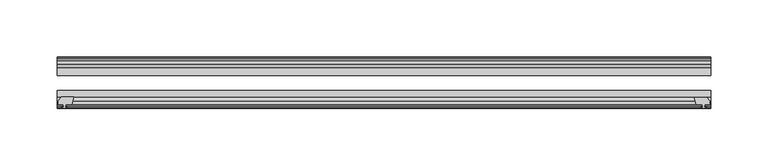
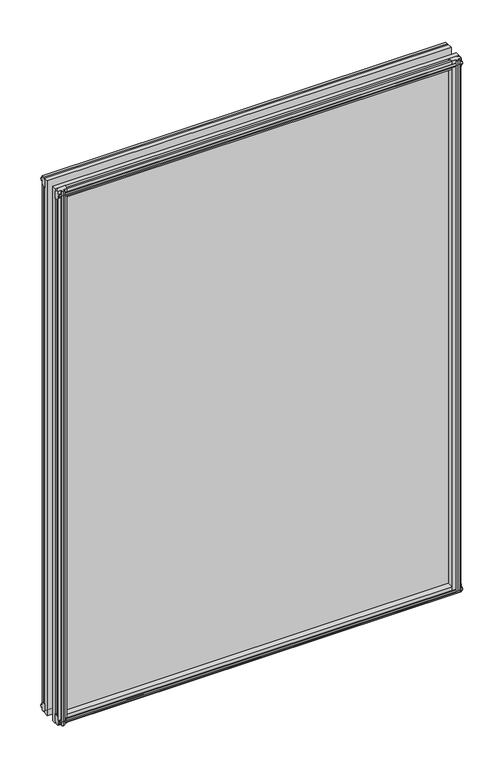
"""IFC4 building model written with IfcOpenShell, lengths in millimetres: plate geometry."""

from ifc_helpers import new_model, si_unit, frame, origin, place, context, project, spatial, polyline, outline, extrude, source, transform, mapped, element, save


def plate_7989239c(model_context):
    return source(origin(), model_context, "Body", "SweptSolid", [
        extrude(outline(polyline([(-271.3322819, -83.1453125), (-273.05, -89.4953125), (-278.257, -89.4953125), (-278.638, -91.8755095), (-277.2224709, -91.4155762), (-277.2224709, -92.2167904), (-279.4, -92.9243125), (-281.577529, -92.2167904), (-281.577529, -91.4155762), (-280.162, -91.8755095), (-280.543, -89.4953125), (-284.988, -89.4953125), (-284.988, -86.5489125), (-282.1536578, -83.1453125), (-271.3322819, -83.1453125)])), frame((0.0, 0.0, -12.4587), z_axis=(0.0, 0.0, 1.0), x_axis=(1.0, 0.0, 0.0)), (0.0, 0.0, 1.0), 799.6174),
        extrude(outline(polyline([(271.3538926, -83.2252021), (282.1752685, -83.2252021), (285.0096107, -86.6288021), (285.0096107, -89.5752021), (280.5646107, -89.5752021), (280.1836107, -91.9553991), (281.5991397, -91.4954658), (281.5991397, -92.29668), (279.4216107, -93.0042021), (277.2440816, -92.29668), (277.2440816, -91.4954658), (278.6596107, -91.9553991), (278.2786107, -89.5752021), (273.0716107, -89.5752021), (271.3538926, -83.2252021)])), frame((0.0, 0.0, -9.0482291), z_axis=(0.0, 0.0, 1.0), x_axis=(1.0, 0.0, 0.0)), (0.0, 0.0, 1.0), 796.2069291),
        extrude(outline(polyline([(-280.6827, -49.0151155), (-282.098229, -49.4750488), (-282.098229, -48.6738346), (-279.9207, -47.9663125), (-277.7431709, -48.6738346), (-277.7431709, -49.4750488), (-279.1587, -49.0151155), (-278.7777, -51.3953125), (-273.5707, -51.3953125), (-271.8529819, -57.7453125), (-282.6743578, -57.7453125), (-285.5087, -54.3417125), (-285.5087, -51.3953125), (-281.0637, -51.3953125), (-280.6827, -49.0151155)])), frame((0.0, 0.0, -12.4587), z_axis=(0.0, 0.0, 1.0), x_axis=(1.0, 0.0, 0.0)), (0.0, 0.0, 1.0), 793.2674),
        extrude(outline(polyline([(271.8529819, -57.7453125), (273.5707, -51.3953125), (278.7777, -51.3953125), (279.1587, -49.0151155), (277.7431709, -49.4750488), (277.7431709, -48.6738346), (279.9207, -47.9663125), (282.098229, -48.6738346), (282.098229, -49.4750488), (280.6827, -49.0151155), (281.0637, -51.3953125), (285.5087, -51.3953125), (285.5087, -54.3417125), (282.6743578, -57.7453125), (271.8529819, -57.7453125)])), frame((0.0, 0.0, -12.4587), z_axis=(0.0, 0.0, 1.0), x_axis=(1.0, 0.0, 0.0)), (0.0, 0.0, 1.0), 793.2674),
        extrude(outline(polyline([(-48.6738346, -4.6931709), (-47.9663125, -6.8707), (-48.6738346, -9.0482291), (-49.4750488, -9.0482291), (-49.0151155, -7.6327), (-51.3953125, -8.0137), (-51.3953125, -12.4587), (-54.3417125, -12.4587), (-57.7453125, -9.6243578), (-57.7453125, 1.1970181), (-51.3953125, -0.5207), (-51.3953125, -5.7277), (-49.0151155, -6.1087), (-49.4750488, -4.6931709), (-48.6738346, -4.6931709)])), frame((-285.75, 0.0, 0.0), z_axis=(1.0, 0.0, 0.0), x_axis=(0.0, 1.0, 0.0)), (0.0, 0.0, 1.0), 571.5),
        extrude(outline(polyline([(-83.1453125, 1.7177181), (-83.1453125, -9.1036578), (-86.5489125, -11.938), (-89.4953125, -11.938), (-89.4953125, -7.493), (-91.8755095, -7.112), (-91.4155762, -8.5275291), (-92.2167904, -8.5275291), (-92.9243125, -6.35), (-92.2167904, -4.1724709), (-91.4155762, -4.1724709), (-91.8755095, -5.588), (-89.4953125, -5.207), (-89.4953125, 0.0), (-83.1453125, 1.7177181)])), frame((-285.75, 0.0, 0.0), z_axis=(1.0, 0.0, 0.0), x_axis=(0.0, 1.0, 0.0)), (0.0, 0.0, 1.0), 571.5),
        extrude(outline(polyline([(-49.0151155, 782.3327), (-49.4750488, 783.7482291), (-48.6738346, 783.7482291), (-47.9663125, 781.5707), (-48.6738346, 779.393171), (-49.4750488, 779.393171), (-49.0151155, 780.8087), (-51.3953125, 780.4277), (-51.3953125, 775.2207), (-57.7453125, 773.5029819), (-57.7453125, 784.3243578), (-54.3417125, 787.1587), (-51.3953125, 787.1587), (-51.3953125, 782.7137), (-49.0151155, 782.3327)])), frame((-285.75, 0.0, 0.0), z_axis=(1.0, 0.0, 0.0), x_axis=(0.0, 1.0, 0.0)), (0.0, 0.0, 1.0), 571.5),
        extrude(outline(polyline([(-89.4953125, 786.638), (-86.5489125, 786.638), (-83.1453125, 783.8036578), (-83.1453125, 772.9822819), (-89.4953125, 774.7), (-89.4953125, 779.907), (-91.8755095, 780.288), (-91.4155762, 778.872471), (-92.2167904, 778.872471), (-92.9243125, 781.05), (-92.2167904, 783.2275291), (-91.4155762, 783.2275291), (-91.8755095, 781.812), (-89.4953125, 782.193), (-89.4953125, 786.638)])), frame((-285.75, 0.0, 0.0), z_axis=(1.0, 0.0, 0.0), x_axis=(0.0, 1.0, 0.0)), (0.0, 0.0, 1.0), 571.5),
        extrude(outline(polyline([(-285.75, -57.7453125), (285.75, -57.7453125), (285.75, -64.0953125), (-285.75, -64.0953125), (-285.75, -57.7453125)])), frame((0.0, 0.0, -12.7), z_axis=(0.0, 0.0, 1.0), x_axis=(1.0, 0.0, 0.0)), (0.0, 0.0, 1.0), 800.1),
        extrude(outline(polyline([(-285.75, -77.1178925), (285.75, -77.1178925), (285.75, -83.1453125), (-285.75, -83.1453125), (-285.75, -77.1178925)])), frame((0.0, 0.0, -12.7), z_axis=(0.0, 0.0, 1.0), x_axis=(1.0, 0.0, 0.0)), (0.0, 0.0, 1.0), 800.1),
    ])


if __name__ == "__main__":
    model = new_model("IFC4")
    model_context = context("Model", 3, world=origin())
    ifc_project = project(units=[si_unit("LENGTHUNIT", "METRE", prefix="MILLI")], contexts=[model_context])
    site = spatial("IfcSite", under=ifc_project)
    building = spatial("IfcBuilding", under=site)
    placement = place(None, origin())
    plate_shape = plate_7989239c(model_context)
    element("IfcPlate", 1, at=placement, inside=building, context=model_context, shape_type="MappedRepresentation", body=[
        mapped(plate_shape, transform((0.0, 0.0, 0.0), x_axis=(1.0, 0.0, 0.0), y_axis=(0.0, 1.0, 0.0), z_axis=(0.0, 0.0, 1.0))),
    ])
    save(model, "model.ifc")
